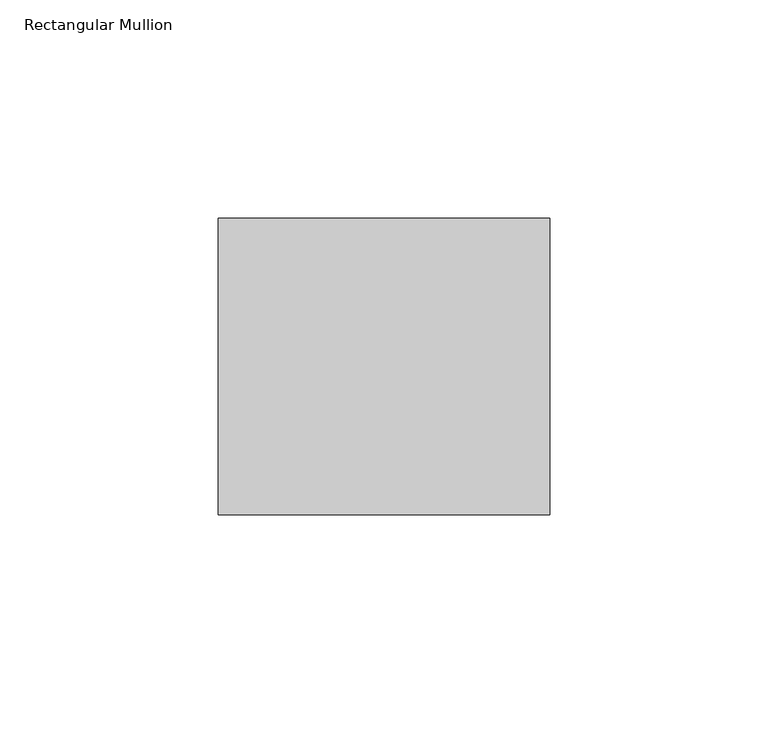
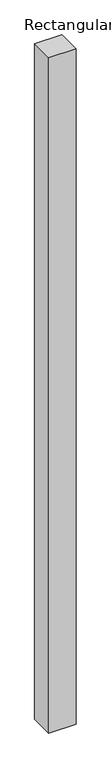
"""IFC4 building model written with IfcOpenShell, lengths in millimetres: member geometry, Rectangular Mullion."""

from ifc_helpers import new_model, si_unit, frame, origin, place, context, project, spatial, polyline, outline, extrude, source, transform, mapped, element, save


def rectangular_mullion_df23264b(model_context):
    return source(origin(), model_context, "Body", "SweptSolid", [
        extrude(outline(polyline([(0.0, 68.0), (0.0, 0.0), (-76.0, 0.0), (-76.0, 68.0), (0.0, 68.0)])), frame((0.0, 0.0, -1998.0), z_axis=(0.0, 0.0, 1.0), x_axis=(1.0, 0.0, 0.0)), (0.0, 0.0, 1.0), 1998.0),
    ])


if __name__ == "__main__":
    model = new_model("IFC4")
    model_context = context("Model", 3, world=origin())
    ifc_project = project(units=[si_unit("LENGTHUNIT", "METRE", prefix="MILLI")], contexts=[model_context])
    site = spatial("IfcSite", under=ifc_project)
    building = spatial("IfcBuilding", under=site)
    placement = place(None, origin())
    rectangular_mullion_shape = rectangular_mullion_df23264b(model_context)
    element("IfcMember", 1, ObjectType="Rectangular Mullion", at=placement, inside=building, context=model_context, shape_type="MappedRepresentation", body=[
        mapped(rectangular_mullion_shape, transform((0.0, 0.0, 0.0), x_axis=(1.0, 0.0, 0.0), y_axis=(0.0, 1.0, 0.0), z_axis=(0.0, 0.0, 1.0))),
    ])
    save(model, "model.ifc")
